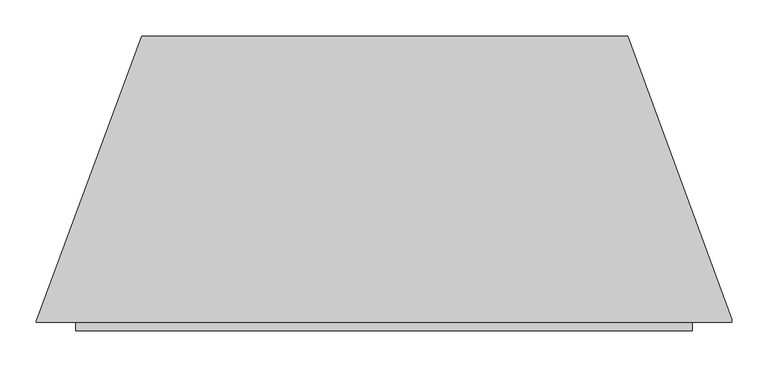
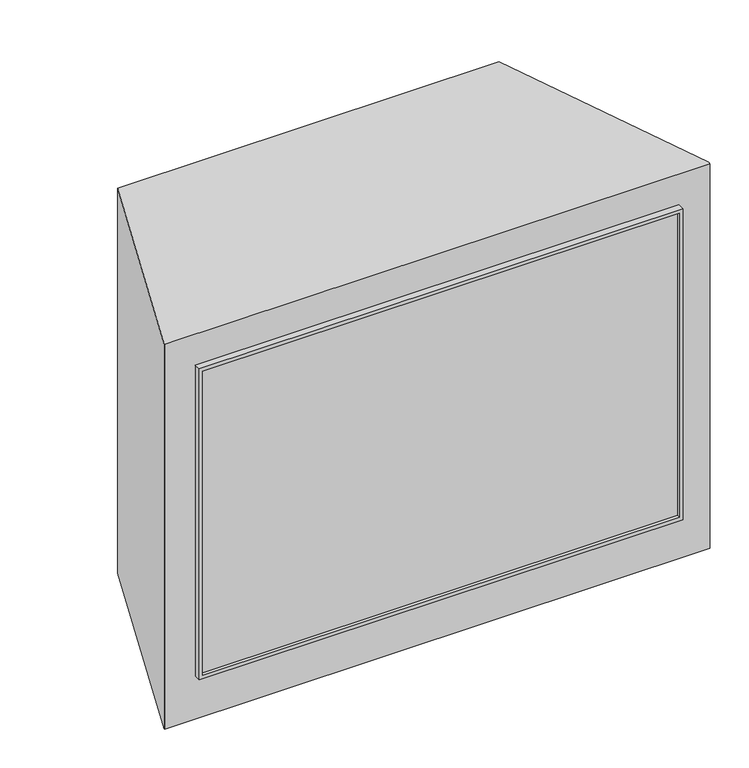
"""IFC4 building model written with IfcOpenShell, lengths in millimetres: proxy geometry."""

from ifc_helpers import new_model, si_unit, origin, origin_with_axes, place, context, project, spatial, polyline, outline, extrude, faceted_brep, source, transform, mapped, element, save


def generic_models_c60fcde6(model_context):
    return source(origin(), model_context, "Body", "SolidModel", [
        faceted_brep([(427.83125, 0.0, 661.4914062), (-427.83125, 0.0, 661.4914062), (-427.83125, -11.9269933, 661.4914062), (427.83125, -11.9269933, 661.4914062), (427.83125, 0.0, 80.4664063), (427.83125, -11.9269933, 80.4664063), (-427.83125, -11.9269933, 80.4664063), (-427.83125, 0.0, 80.4664063), (-421.48125, -11.9269933, 655.1414062), (421.48125, -11.9269933, 655.1414062), (421.48125, -11.9269933, 86.8164063), (-421.48125, -11.9269933, 86.8164063), (421.48125, -6.1953115, 655.1414062), (-421.48125, -6.1953115, 655.1414062), (-421.48125, -6.1953115, 86.8164063), (421.48125, -6.1953115, 86.8164063)], [[[0, 1, 2, 3]], [[4, 5, 6, 7]], [[1, 0, 4, 7]], [[2, 1, 7, 6]], [[3, 2, 6, 5], [8, 9, 10, 11]], [[0, 3, 5, 4]], [[12, 13, 14, 15]], [[13, 12, 9, 8]], [[14, 13, 8, 11]], [[15, 14, 11, 10]], [[12, 15, 10, 9]]]),
        extrude(outline(polyline([(482.6, 0.0), (-482.6, 0.0), (-482.6, 1.12014), (-336.1502524, 396.875), (338.4129071, 396.875), (482.6, 4.2441313), (482.6, 0.0)])), origin_with_axes(), (0.0, 0.0, 1.0), 719.1375),
    ])


if __name__ == "__main__":
    model = new_model("IFC4")
    model_context = context("Model", 3, world=origin())
    ifc_project = project(units=[si_unit("LENGTHUNIT", "METRE", prefix="MILLI")], contexts=[model_context])
    site = spatial("IfcSite", under=ifc_project)
    building = spatial("IfcBuilding", under=site)
    placement = place(None, origin())
    generic_models_shape = generic_models_c60fcde6(model_context)
    element("IfcBuildingElementProxy", 1, Name="Generic Models", at=placement, inside=building, context=model_context, shape_type="MappedRepresentation", body=[
        mapped(generic_models_shape, transform((0.0, 0.0, 0.0), x_axis=(1.0, 0.0, 0.0), y_axis=(0.0, 1.0, 0.0), z_axis=(0.0, 0.0, 1.0))),
    ])
    save(model, "model.ifc")
